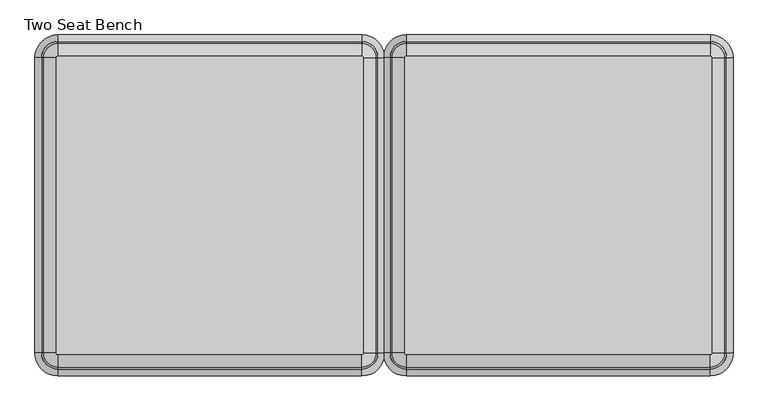
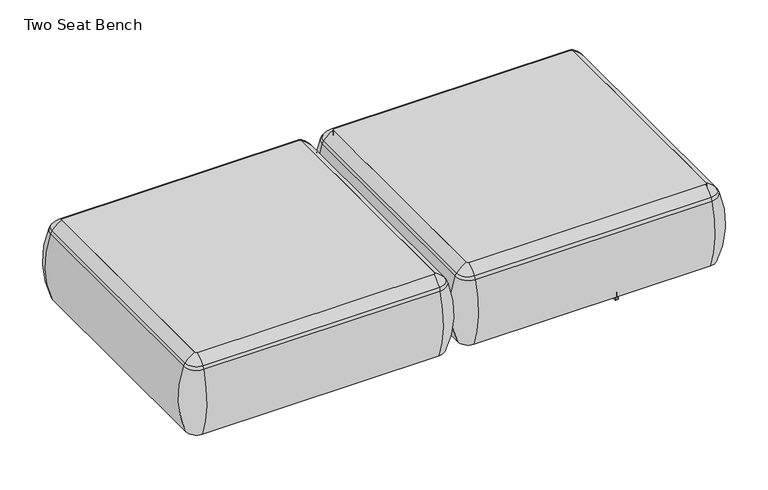
"""IFC4 building model written with IfcOpenShell, lengths in millimetres: furniture geometry, Two Seat Bench."""

from ifc_helpers import new_model, si_unit, point, frame, frame_2d, origin, place, context, project, spatial, polyline, circle_curve, ellipse_curve, trimmed, segment, composite_curve, outline, extrude, source, transform, mapped, element, save
from ifc_brep_helpers import plane_surface, cylinder_surface, revolved_surface, advanced_brep


def two_seat_bench_a77e207c(model_context):
    return source(origin(), model_context, "Body", "SolidModel", [
        advanced_brep(
        [(-103.5651735, -668.4794123, 390.3914007), (-98.2853663, -673.7592195, 390.3914007), (-98.2853663, -673.7592195, 123.9999984), (-103.5651735, -668.4794123, 123.9999984), (-132.2532177, -668.4794123, 123.9999984), (-98.2853663, -702.4472637, 123.9999984), (-98.2853663, -710.1267287, 353.7769053), (-139.9326827, -668.4794123, 353.7769053), (-103.5651735, 89.8571486, 123.9999984), (-103.5651735, 89.8571486, 390.3914007), (-139.9326827, 89.8571486, 353.7769053), (-132.2532177, 89.8571486, 123.9999984), (-98.2853663, 95.1369558, 390.3914007), (-98.2853663, 95.1369558, 123.9999984), (-98.2853663, 123.825, 123.9999984), (-98.2853663, 131.504465, 353.7769053), (681.4946337, 95.1369558, 123.9999984), (681.4946337, 95.1369558, 390.3914007), (681.4946337, 131.504465, 353.7769053), (681.4946337, 123.825, 123.9999984), (686.774441, 89.8571486, 390.3914007), (686.774441, 89.8571486, 123.9999984), (715.4624852, 89.8571486, 123.9999984), (723.1419502, 89.8571486, 353.7769053), (686.774441, -668.4794123, 123.9999984), (686.774441, -668.4794123, 390.3914007), (723.1419502, -668.4794123, 353.7769053), (715.4624852, -668.4794123, 123.9999984), (681.4946337, -673.7592195, 390.3914007), (681.4946337, -673.7592195, 123.9999984), (681.4946337, -702.4472637, 123.9999984), (681.4946337, -710.1267287, 353.7769053), (-134.7142228, -668.4794123, 363.6402875), (-98.2853663, -704.9082688, 363.6402875), (-134.7142228, 89.8571486, 363.6402875), (-98.2853663, 126.2860051, 363.6402875), (681.4946337, 126.2860051, 363.6402875), (717.9234903, 89.8571486, 363.6402875), (717.9234903, -668.4794123, 363.6402875), (681.4946337, -704.9082688, 363.6402875)],
        [
            (0, 1, circle_curve(frame((-98.2853663, -668.4794123, 390.3914007), z_axis=(0.0, 0.0, 1.0), x_axis=(0.0, -1.0, 0.0)), 5.2798073)),
            (1, 2),
            (2, 3, circle_curve(frame((-98.2853663, -668.4794123, 123.9999984), z_axis=(0.0, 0.0, -1.0), x_axis=(0.0, -1.0, 0.0)), 5.2798073)),
            (3, 0),
            (4, 5, circle_curve(frame((-98.2853663, -668.4794123, 123.9999984), z_axis=(0.0, 0.0, 1.0), x_axis=(0.0, -1.0, 0.0)), 33.9678514)),
            (5, 6, circle_curve(frame((-98.2853663, -406.0729797, 248.9220234), z_axis=(-1.0, 0.0, 0.0), x_axis=(0.0, -1.0, 0.0)), 321.625914)),
            (6, 7, circle_curve(frame((-98.2853663, -668.4794123, 353.7769053), z_axis=(0.0, 0.0, -1.0), x_axis=(0.0, -1.0, 0.0)), 41.6473165)),
            (7, 4, circle_curve(frame((164.1210663, -668.4794123, 248.9220234), z_axis=(0.0, -1.0, 0.0), x_axis=(-1.0, 0.0, 0.0)), 321.625914)),
            (3, 8),
            (8, 9),
            (9, 0),
            (7, 10),
            (10, 11, circle_curve(frame((164.1210663, 89.8571486, 248.9220234), z_axis=(0.0, -1.0, 0.0), x_axis=(-1.0, 0.0, 0.0)), 321.625914)),
            (11, 4),
            (12, 9, circle_curve(frame((-98.2853663, 89.8571486, 390.3914007), z_axis=(0.0, 0.0, 1.0), x_axis=(-1.0, 0.0, 0.0)), 5.2798073)),
            (8, 13, circle_curve(frame((-98.2853663, 89.8571486, 123.9999984), z_axis=(0.0, 0.0, -1.0), x_axis=(-1.0, 0.0, 0.0)), 5.2798073)),
            (13, 12),
            (14, 11, circle_curve(frame((-98.2853663, 89.8571486, 123.9999984), z_axis=(0.0, 0.0, 1.0), x_axis=(-1.0, 0.0, 0.0)), 33.9678514)),
            (10, 15, circle_curve(frame((-98.2853663, 89.8571486, 353.7769053), z_axis=(0.0, 0.0, -1.0), x_axis=(-1.0, 0.0, 0.0)), 41.6473165)),
            (15, 14, circle_curve(frame((-98.2853663, -172.549284, 248.9220234), z_axis=(-1.0, 0.0, 0.0), x_axis=(0.0, 1.0, 0.0)), 321.625914)),
            (13, 16),
            (16, 17),
            (17, 12),
            (15, 18),
            (18, 19, circle_curve(frame((681.4946337, -172.549284, 248.9220234), z_axis=(-1.0, 0.0, 0.0), x_axis=(0.0, 1.0, 0.0)), 321.625914)),
            (19, 14),
            (20, 17, circle_curve(frame((681.4946337, 89.8571486, 390.3914007), z_axis=(0.0, 0.0, 1.0), x_axis=(0.0, 1.0, 0.0)), 5.2798073)),
            (16, 21, circle_curve(frame((681.4946337, 89.8571486, 123.9999984), z_axis=(0.0, 0.0, -1.0), x_axis=(0.0, 1.0, 0.0)), 5.2798073)),
            (21, 20),
            (22, 19, circle_curve(frame((681.4946337, 89.8571486, 123.9999984), z_axis=(0.0, 0.0, 1.0), x_axis=(0.0, 1.0, 0.0)), 33.9678514)),
            (18, 23, circle_curve(frame((681.4946337, 89.8571486, 353.7769053), z_axis=(0.0, 0.0, -1.0), x_axis=(0.0, 1.0, 0.0)), 41.6473165)),
            (23, 22, circle_curve(frame((419.0882012, 89.8571486, 248.9220234), z_axis=(0.0, 1.0, 0.0), x_axis=(1.0, 0.0, 0.0)), 321.625914)),
            (21, 24),
            (24, 25),
            (25, 20),
            (23, 26),
            (26, 27, circle_curve(frame((419.0882012, -668.4794123, 248.9220234), z_axis=(0.0, 1.0, 0.0), x_axis=(1.0, 0.0, 0.0)), 321.625914)),
            (27, 22),
            (28, 25, circle_curve(frame((681.4946337, -668.4794123, 390.3914007), z_axis=(0.0, 0.0, 1.0), x_axis=(1.0, 0.0, 0.0)), 5.2798073)),
            (24, 29, circle_curve(frame((681.4946337, -668.4794123, 123.9999984), z_axis=(0.0, 0.0, -1.0), x_axis=(1.0, 0.0, 0.0)), 5.2798073)),
            (29, 28),
            (30, 27, circle_curve(frame((681.4946337, -668.4794123, 123.9999984), z_axis=(0.0, 0.0, 1.0), x_axis=(1.0, 0.0, 0.0)), 33.9678514)),
            (26, 31, circle_curve(frame((681.4946337, -668.4794123, 353.7769053), z_axis=(0.0, 0.0, -1.0), x_axis=(1.0, 0.0, 0.0)), 41.6473165)),
            (31, 30, circle_curve(frame((681.4946337, -406.0729797, 248.9220234), z_axis=(1.0, 0.0, 0.0), x_axis=(0.0, -1.0, 0.0)), 321.625914)),
            (30, 5),
            (2, 29),
            (1, 28),
            (31, 6),
            (32, 33, circle_curve(frame((-98.2853663, -668.4794123, 363.6402875), z_axis=(0.0, 0.0, 1.0), x_axis=(0.0, -1.0, 0.0)), 36.4288566)),
            (33, 1, circle_curve(frame((-98.2853663, -629.5266, 307.3762868), z_axis=(-1.0, 0.0, 0.0), x_axis=(0.0, -1.0, 0.0)), 94.0639876)),
            (0, 32, circle_curve(frame((-59.332554, -668.4794123, 307.3762868), z_axis=(0.0, -1.0, 0.0), x_axis=(-1.0, 0.0, 0.0)), 94.0639876)),
            (6, 33, circle_curve(frame((-98.2853663, -675.8620096, 341.9604975), z_axis=(-1.0, 0.0, 0.0), x_axis=(0.0, -1.0, 0.0)), 36.2449785)),
            (32, 7, circle_curve(frame((-105.6679637, -668.4794123, 341.9604975), z_axis=(0.0, -1.0, 0.0), x_axis=(-1.0, 0.0, 0.0)), 36.2449785)),
            (9, 34, circle_curve(frame((-59.332554, 89.8571486, 307.3762868), z_axis=(0.0, -1.0, 0.0), x_axis=(-1.0, 0.0, 0.0)), 94.0639876)),
            (34, 32),
            (34, 10, circle_curve(frame((-105.6679637, 89.8571486, 341.9604975), z_axis=(0.0, -1.0, 0.0), x_axis=(-1.0, 0.0, 0.0)), 36.2449785)),
            (35, 34, circle_curve(frame((-98.2853663, 89.8571486, 363.6402875), z_axis=(0.0, 0.0, 1.0), x_axis=(-1.0, 0.0, 0.0)), 36.4288566)),
            (12, 35, circle_curve(frame((-98.2853663, 50.9043363, 307.3762868), z_axis=(-1.0, 0.0, 0.0), x_axis=(0.0, 1.0, 0.0)), 94.0639876)),
            (35, 15, circle_curve(frame((-98.2853663, 97.2397459, 341.9604975), z_axis=(-1.0, 0.0, 0.0), x_axis=(0.0, 1.0, 0.0)), 36.2449785)),
            (17, 36, circle_curve(frame((681.4946337, 50.9043363, 307.3762868), z_axis=(-1.0, 0.0, 0.0), x_axis=(0.0, 1.0, 0.0)), 94.0639876)),
            (36, 35),
            (36, 18, circle_curve(frame((681.4946337, 97.2397459, 341.9604975), z_axis=(-1.0, 0.0, 0.0), x_axis=(0.0, 1.0, 0.0)), 36.2449785)),
            (37, 36, circle_curve(frame((681.4946337, 89.8571486, 363.6402875), z_axis=(0.0, 0.0, 1.0), x_axis=(0.0, 1.0, 0.0)), 36.4288566)),
            (20, 37, circle_curve(frame((642.5418215, 89.8571486, 307.3762868), z_axis=(0.0, 1.0, 0.0), x_axis=(1.0, 0.0, 0.0)), 94.0639876)),
            (37, 23, circle_curve(frame((688.8772311, 89.8571486, 341.9604975), z_axis=(0.0, 1.0, 0.0), x_axis=(1.0, 0.0, 0.0)), 36.2449785)),
            (25, 38, circle_curve(frame((642.5418215, -668.4794123, 307.3762868), z_axis=(0.0, 1.0, 0.0), x_axis=(1.0, 0.0, 0.0)), 94.0639876)),
            (38, 37),
            (38, 26, circle_curve(frame((688.8772311, -668.4794123, 341.9604975), z_axis=(0.0, 1.0, 0.0), x_axis=(1.0, 0.0, 0.0)), 36.2449785)),
            (39, 38, circle_curve(frame((681.4946337, -668.4794123, 363.6402875), z_axis=(0.0, 0.0, 1.0), x_axis=(1.0, 0.0, 0.0)), 36.4288566)),
            (28, 39, circle_curve(frame((681.4946337, -629.5266, 307.3762868), z_axis=(1.0, 0.0, 0.0), x_axis=(0.0, -1.0, 0.0)), 94.0639876)),
            (39, 31, circle_curve(frame((681.4946337, -675.8620096, 341.9604975), z_axis=(1.0, 0.0, 0.0), x_axis=(0.0, -1.0, 0.0)), 36.2449785)),
            (33, 39),
        ],
        [
            revolved_surface(polyline([(-98.2853663, -673.7592196, 123.9999984), (-98.2853663, -673.7592196, 390.3914007)]), (-98.2853663, -668.4794123, 0.0), (0.0, 0.0, -1.0)),
            revolved_surface(trimmed(ellipse_curve(frame((-98.2853663, -406.0729797, 248.9220234), z_axis=(1.0, 0.0, 0.0), x_axis=(0.0, -1.0, 0.0)), 321.625914, 321.625914), [point((-98.2853663, -710.1267287, 353.7769053))], [point((-98.2853663, -702.4472637, 123.9999984))], True, "CARTESIAN"), (-98.2853663, -668.4794123, 0.0), (0.0, 0.0, -1.0)),
            plane_surface(frame((-103.5651735, -668.4794123, 123.9999984), z_axis=(1.0, 0.0, 0.0), x_axis=(0.0, 1.0, 0.0))),
            cylinder_surface(frame((164.1210663, -668.4794123, 248.9220234), z_axis=(0.0, -1.0, 0.0), x_axis=(-1.0, 0.0, 0.0)), 321.625914),
            revolved_surface(polyline([(-103.56517360000001, 89.8571486, 123.9999984), (-103.56517360000001, 89.8571486, 390.3914007)]), (-98.2853663, 89.8571486, 0.0), (0.0, 0.0, -1.0)),
            revolved_surface(trimmed(ellipse_curve(frame((164.1210663, 89.8571486, 248.9220234), z_axis=(0.0, -1.0, 0.0), x_axis=(-1.0, 0.0, 0.0)), 321.625914, 321.625914), [point((-139.9326827, 89.8571486, 353.7769053))], [point((-132.2532177, 89.8571486, 123.9999984))], True, "CARTESIAN"), (-98.2853663, 89.8571486, 0.0), (0.0, 0.0, -1.0)),
            plane_surface(frame((-98.2853663, 95.1369558, 123.9999984), z_axis=(0.0, -1.0, 0.0), x_axis=(1.0, 0.0, 0.0))),
            cylinder_surface(frame((-98.2853663, -172.549284, 248.9220234), z_axis=(-1.0, 0.0, 0.0), x_axis=(0.0, 1.0, 0.0)), 321.625914),
            revolved_surface(polyline([(681.4946337, 95.1369559, 123.9999984), (681.4946337, 95.1369559, 390.3914007)]), (681.4946337, 89.8571486, 0.0), (0.0, 0.0, -1.0)),
            revolved_surface(trimmed(ellipse_curve(frame((681.4946337, -172.549284, 248.9220234), z_axis=(-1.0, 0.0, 0.0), x_axis=(0.0, 1.0, 0.0)), 321.625914, 321.625914), [point((681.4946337, 131.504465, 353.7769053))], [point((681.4946337, 123.825, 123.9999984))], True, "CARTESIAN"), (681.4946337, 89.8571486, 0.0), (0.0, 0.0, -1.0)),
            plane_surface(frame((686.774441, 89.8571486, 123.9999984), z_axis=(-1.0, 0.0, 0.0), x_axis=(0.0, -1.0, 0.0))),
            cylinder_surface(frame((419.0882012, 89.8571486, 248.9220234), z_axis=(0.0, 1.0, 0.0), x_axis=(1.0, 0.0, 0.0)), 321.625914),
            revolved_surface(polyline([(686.774441, -668.4794123, 123.9999984), (686.774441, -668.4794123, 390.3914007)]), (681.4946337, -668.4794123, 0.0), (0.0, 0.0, -1.0)),
            revolved_surface(trimmed(ellipse_curve(frame((419.0882012, -668.4794123, 248.9220234), z_axis=(0.0, 1.0, 0.0), x_axis=(1.0, 0.0, 0.0)), 321.625914, 321.625914), [point((723.1419502, -668.4794123, 353.7769053))], [point((715.4624852, -668.4794123, 123.9999984))], True, "CARTESIAN"), (681.4946337, -668.4794123, 0.0), (0.0, 0.0, -1.0)),
            plane_surface(frame((681.4946337, -702.4472637, 123.9999984), z_axis=(0.0, 0.0, -1.0), x_axis=(-1.0, 0.0, 0.0))),
            plane_surface(frame((681.4946337, -673.7592195, 123.9999984), z_axis=(0.0, 1.0, 0.0), x_axis=(-1.0, 0.0, 0.0))),
            cylinder_surface(frame((681.4946337, -406.0729797, 248.9220234), z_axis=(1.0, 0.0, 0.0), x_axis=(0.0, -1.0, 0.0)), 321.625914),
            revolved_surface(trimmed(ellipse_curve(frame((-98.2853663, -629.5266, 307.3762868), z_axis=(1.0, 0.0, 0.0), x_axis=(0.0, -1.0, 0.0)), 94.0639876, 94.0639876), [point((-98.2853663, -673.7592195, 390.3914007))], [point((-98.2853663, -704.9082688, 363.6402875))], True, "CARTESIAN"), (-98.2853663, -668.4794123, 0.0), (0.0, 0.0, -1.0)),
            revolved_surface(trimmed(ellipse_curve(frame((-98.2853663, -675.8620096, 341.9604975), z_axis=(1.0, 0.0, 0.0), x_axis=(0.0, -1.0, 0.0)), 36.2449785, 36.2449785), [point((-98.2853663, -704.9082688, 363.6402875))], [point((-98.2853663, -710.1267287, 353.7769053))], True, "CARTESIAN"), (-98.2853663, -668.4794123, 0.0), (0.0, 0.0, -1.0)),
            cylinder_surface(frame((-59.332554, -668.4794123, 307.3762868), z_axis=(0.0, -1.0, 0.0), x_axis=(-1.0, 0.0, 0.0)), 94.0639876),
            cylinder_surface(frame((-105.6679637, -668.4794123, 341.9604975), z_axis=(0.0, -1.0, 0.0), x_axis=(-1.0, 0.0, 0.0)), 36.2449785),
            revolved_surface(trimmed(ellipse_curve(frame((-59.332554, 89.8571486, 307.3762868), z_axis=(0.0, -1.0, 0.0), x_axis=(-1.0, 0.0, 0.0)), 94.0639876, 94.0639876), [point((-103.5651735, 89.8571486, 390.3914007))], [point((-134.7142228, 89.8571486, 363.6402875))], True, "CARTESIAN"), (-98.2853663, 89.8571486, 0.0), (0.0, 0.0, -1.0)),
            revolved_surface(trimmed(ellipse_curve(frame((-105.6679637, 89.8571486, 341.9604975), z_axis=(0.0, -1.0, 0.0), x_axis=(-1.0, 0.0, 0.0)), 36.2449785, 36.2449785), [point((-134.7142228, 89.8571486, 363.6402875))], [point((-139.9326827, 89.8571486, 353.7769053))], True, "CARTESIAN"), (-98.2853663, 89.8571486, 0.0), (0.0, 0.0, -1.0)),
            cylinder_surface(frame((-98.2853663, 50.9043363, 307.3762868), z_axis=(-1.0, 0.0, 0.0), x_axis=(0.0, 1.0, 0.0)), 94.0639876),
            cylinder_surface(frame((-98.2853663, 97.2397459, 341.9604975), z_axis=(-1.0, 0.0, 0.0), x_axis=(0.0, 1.0, 0.0)), 36.2449785),
            revolved_surface(trimmed(ellipse_curve(frame((681.4946337, 50.9043363, 307.3762868), z_axis=(-1.0, 0.0, 0.0), x_axis=(0.0, 1.0, 0.0)), 94.0639876, 94.0639876), [point((681.4946337, 95.1369558, 390.3914007))], [point((681.4946337, 126.2860051, 363.6402875))], True, "CARTESIAN"), (681.4946337, 89.8571486, 0.0), (0.0, 0.0, -1.0)),
            revolved_surface(trimmed(ellipse_curve(frame((681.4946337, 97.2397459, 341.9604975), z_axis=(-1.0, 0.0, 0.0), x_axis=(0.0, 1.0, 0.0)), 36.2449785, 36.2449785), [point((681.4946337, 126.2860051, 363.6402875))], [point((681.4946337, 131.504465, 353.7769053))], True, "CARTESIAN"), (681.4946337, 89.8571486, 0.0), (0.0, 0.0, -1.0)),
            cylinder_surface(frame((642.5418215, 89.8571486, 307.3762868), z_axis=(0.0, 1.0, 0.0), x_axis=(1.0, 0.0, 0.0)), 94.0639876),
            cylinder_surface(frame((688.8772311, 89.8571486, 341.9604975), z_axis=(0.0, 1.0, 0.0), x_axis=(1.0, 0.0, 0.0)), 36.2449785),
            revolved_surface(trimmed(ellipse_curve(frame((642.5418215, -668.4794123, 307.3762868), z_axis=(0.0, 1.0, 0.0), x_axis=(1.0, 0.0, 0.0)), 94.0639876, 94.0639876), [point((686.774441, -668.4794123, 390.3914007))], [point((717.9234903, -668.4794123, 363.6402875))], True, "CARTESIAN"), (681.4946337, -668.4794123, 0.0), (0.0, 0.0, -1.0)),
            revolved_surface(trimmed(ellipse_curve(frame((688.8772311, -668.4794123, 341.9604975), z_axis=(0.0, 1.0, 0.0), x_axis=(1.0, 0.0, 0.0)), 36.2449785, 36.2449785), [point((717.9234903, -668.4794123, 363.6402875))], [point((723.1419502, -668.4794123, 353.7769053))], True, "CARTESIAN"), (681.4946337, -668.4794123, 0.0), (0.0, 0.0, -1.0)),
            cylinder_surface(frame((681.4946337, -629.5266, 307.3762868), z_axis=(1.0, 0.0, 0.0), x_axis=(0.0, -1.0, 0.0)), 94.0639876),
            cylinder_surface(frame((681.4946337, -675.8620096, 341.9604975), z_axis=(1.0, 0.0, 0.0), x_axis=(0.0, -1.0, 0.0)), 36.2449785),
        ],
        [
            (0, [[1, 2, 3, 4]]),
            (1, [[5, 6, 7, 8]]),
            (2, [[-4, 9, 10, 11]]),
            (3, [[-8, 12, 13, 14]]),
            (4, [[15, -10, 16, 17]]),
            (5, [[18, -13, 19, 20]]),
            (6, [[-17, 21, 22, 23]]),
            (7, [[-20, 24, 25, 26]]),
            (8, [[27, -22, 28, 29]]),
            (9, [[30, -25, 31, 32]]),
            (10, [[-29, 33, 34, 35]]),
            (11, [[-32, 36, 37, 38]]),
            (12, [[39, -34, 40, 41]]),
            (13, [[42, -37, 43, 44]]),
            (14, [[-38, -42, 45, -5, -14, -18, -26, -30], [46, -40, -33, -28, -21, -16, -9, -3]]),
            (15, [[-41, -46, -2, 47]]),
            (16, [[-44, 48, -6, -45]]),
            (17, [[49, 50, -1, 51]]),
            (18, [[-7, 52, -49, 53]]),
            (19, [[-51, -11, 54, 55]]),
            (20, [[-53, -55, 56, -12]]),
            (21, [[57, -54, -15, 58]]),
            (22, [[-19, -56, -57, 59]]),
            (23, [[-58, -23, 60, 61]]),
            (24, [[-59, -61, 62, -24]]),
            (25, [[63, -60, -27, 64]]),
            (26, [[-31, -62, -63, 65]]),
            (27, [[-64, -35, 66, 67]]),
            (28, [[-65, -67, 68, -36]]),
            (29, [[69, -66, -39, 70]]),
            (30, [[-43, -68, -69, 71]]),
            (31, [[-70, -47, -50, 72]]),
            (32, [[-71, -72, -52, -48]]),
        ],
    ),
        extrude(outline(composite_curve([segment(trimmed(circle_curve(frame_2d((681.4946337, -668.4794123)), 5.2798073), [point((686.774441, -668.4794123))], [point((681.4946337, -673.7592195))], False, "CARTESIAN"), True, "CONTINUOUS"), segment(polyline([(681.4946337, -673.7592195), (-98.2853663, -673.7592195)]), True, "CONTINUOUS"), segment(trimmed(circle_curve(frame_2d((-98.2853663, -668.4794123)), 5.2798073), [point((-98.2853663, -673.7592195))], [point((-103.5651735, -668.4794123))], False, "CARTESIAN"), True, "CONTINUOUS"), segment(polyline([(-103.5651735, -668.4794123), (-103.5651735, 89.8571486)]), True, "CONTINUOUS"), segment(trimmed(circle_curve(frame_2d((-98.2853663, 89.8571486)), 5.2798073), [point((-103.5651735, 89.8571486))], [point((-98.2853663, 95.1369558))], False, "CARTESIAN"), True, "CONTINUOUS"), segment(polyline([(-98.2853663, 95.1369558), (681.4946337, 95.1369558)]), True, "CONTINUOUS"), segment(trimmed(circle_curve(frame_2d((681.4946337, 89.8571486)), 5.2798073), [point((681.4946337, 95.1369558))], [point((686.774441, 89.8571486))], False, "CARTESIAN"), True, "CONTINUOUS"), segment(polyline([(686.774441, 89.8571486), (686.774441, -668.4794123)]), True, "CONTINUOUS")], self_intersect=False)), frame((0.0, 0.0, 123.9999984), z_axis=(0.0, 0.0, 1.0), x_axis=(1.0, 0.0, 0.0)), (0.0, 0.0, 1.0), 266.3914023),
        advanced_brep(
        [(-997.6650173, -668.4794123, 390.3914007), (-992.38521, -673.7592195, 390.3914007), (-992.38521, -673.7592195, 123.9999984), (-997.6650173, -668.4794123, 123.9999984), (-1026.3530615, -668.4794123, 123.9999984), (-992.38521, -702.4472637, 123.9999984), (-992.38521, -710.1267287, 353.7769053), (-1034.0325265, -668.4794123, 353.7769053), (-997.6650173, 89.8571486, 123.9999984), (-997.6650173, 89.8571486, 390.3914007), (-1034.0325265, 89.8571486, 353.7769053), (-1026.3530615, 89.8571486, 123.9999984), (-992.38521, 95.1369558, 390.3914007), (-992.38521, 95.1369558, 123.9999984), (-992.38521, 123.825, 123.9999984), (-992.38521, 131.504465, 353.7769053), (-212.60521, 95.1369558, 123.9999984), (-212.60521, 95.1369558, 390.3914007), (-212.60521, 131.504465, 353.7769053), (-212.60521, 123.825, 123.9999984), (-207.3254028, 89.8571486, 390.3914007), (-207.3254028, 89.8571486, 123.9999984), (-178.6373586, 89.8571486, 123.9999984), (-170.9578936, 89.8571486, 353.7769053), (-207.3254028, -668.4794123, 123.9999984), (-207.3254028, -668.4794123, 390.3914007), (-170.9578936, -668.4794123, 353.7769053), (-178.6373586, -668.4794123, 123.9999984), (-212.60521, -673.7592195, 390.3914007), (-212.60521, -673.7592195, 123.9999984), (-212.60521, -702.4472637, 123.9999984), (-212.60521, -710.1267287, 353.7769053), (-1028.8140666, -668.4794123, 363.6402875), (-992.38521, -704.9082688, 363.6402875), (-1028.8140666, 89.8571486, 363.6402875), (-992.38521, 126.2860051, 363.6402875), (-212.60521, 126.2860051, 363.6402875), (-176.1763535, 89.8571486, 363.6402875), (-176.1763535, -668.4794123, 363.6402875), (-212.60521, -704.9082688, 363.6402875)],
        [
            (0, 1, circle_curve(frame((-992.38521, -668.4794123, 390.3914007), z_axis=(0.0, 0.0, 1.0), x_axis=(0.0, -1.0, 0.0)), 5.2798073)),
            (1, 2),
            (2, 3, circle_curve(frame((-992.38521, -668.4794123, 123.9999984), z_axis=(0.0, 0.0, -1.0), x_axis=(0.0, -1.0, 0.0)), 5.2798073)),
            (3, 0),
            (4, 5, circle_curve(frame((-992.38521, -668.4794123, 123.9999984), z_axis=(0.0, 0.0, 1.0), x_axis=(0.0, -1.0, 0.0)), 33.9678514)),
            (5, 6, circle_curve(frame((-992.38521, -406.0729797, 248.9220234), z_axis=(-1.0, 0.0, 0.0), x_axis=(0.0, -1.0, 0.0)), 321.625914)),
            (6, 7, circle_curve(frame((-992.38521, -668.4794123, 353.7769053), z_axis=(0.0, 0.0, -1.0), x_axis=(0.0, -1.0, 0.0)), 41.6473165)),
            (7, 4, circle_curve(frame((-729.9787775, -668.4794123, 248.9220234), z_axis=(0.0, -1.0, 0.0), x_axis=(-1.0, 0.0, 0.0)), 321.625914)),
            (3, 8),
            (8, 9),
            (9, 0),
            (7, 10),
            (10, 11, circle_curve(frame((-729.9787775, 89.8571486, 248.9220234), z_axis=(0.0, -1.0, 0.0), x_axis=(-1.0, 0.0, 0.0)), 321.625914)),
            (11, 4),
            (12, 9, circle_curve(frame((-992.38521, 89.8571486, 390.3914007), z_axis=(0.0, 0.0, 1.0), x_axis=(-1.0, 0.0, 0.0)), 5.2798073)),
            (8, 13, circle_curve(frame((-992.38521, 89.8571486, 123.9999984), z_axis=(0.0, 0.0, -1.0), x_axis=(-1.0, 0.0, 0.0)), 5.2798073)),
            (13, 12),
            (14, 11, circle_curve(frame((-992.38521, 89.8571486, 123.9999984), z_axis=(0.0, 0.0, 1.0), x_axis=(-1.0, 0.0, 0.0)), 33.9678514)),
            (10, 15, circle_curve(frame((-992.38521, 89.8571486, 353.7769053), z_axis=(0.0, 0.0, -1.0), x_axis=(-1.0, 0.0, 0.0)), 41.6473165)),
            (15, 14, circle_curve(frame((-992.38521, -172.549284, 248.9220234), z_axis=(-1.0, 0.0, 0.0), x_axis=(0.0, 1.0, 0.0)), 321.625914)),
            (13, 16),
            (16, 17),
            (17, 12),
            (15, 18),
            (18, 19, circle_curve(frame((-212.60521, -172.549284, 248.9220234), z_axis=(-1.0, 0.0, 0.0), x_axis=(0.0, 1.0, 0.0)), 321.625914)),
            (19, 14),
            (20, 17, circle_curve(frame((-212.60521, 89.8571486, 390.3914007), z_axis=(0.0, 0.0, 1.0), x_axis=(0.0, 1.0, 0.0)), 5.2798073)),
            (16, 21, circle_curve(frame((-212.60521, 89.8571486, 123.9999984), z_axis=(0.0, 0.0, -1.0), x_axis=(0.0, 1.0, 0.0)), 5.2798073)),
            (21, 20),
            (22, 19, circle_curve(frame((-212.60521, 89.8571486, 123.9999984), z_axis=(0.0, 0.0, 1.0), x_axis=(0.0, 1.0, 0.0)), 33.9678514)),
            (18, 23, circle_curve(frame((-212.60521, 89.8571486, 353.7769053), z_axis=(0.0, 0.0, -1.0), x_axis=(0.0, 1.0, 0.0)), 41.6473165)),
            (23, 22, circle_curve(frame((-475.0116426, 89.8571486, 248.9220234), z_axis=(0.0, 1.0, 0.0), x_axis=(1.0, 0.0, 0.0)), 321.625914)),
            (21, 24),
            (24, 25),
            (25, 20),
            (23, 26),
            (26, 27, circle_curve(frame((-475.0116426, -668.4794123, 248.9220234), z_axis=(0.0, 1.0, 0.0), x_axis=(1.0, 0.0, 0.0)), 321.625914)),
            (27, 22),
            (28, 25, circle_curve(frame((-212.60521, -668.4794123, 390.3914007), z_axis=(0.0, 0.0, 1.0), x_axis=(1.0, 0.0, 0.0)), 5.2798073)),
            (24, 29, circle_curve(frame((-212.60521, -668.4794123, 123.9999984), z_axis=(0.0, 0.0, -1.0), x_axis=(1.0, 0.0, 0.0)), 5.2798073)),
            (29, 28),
            (30, 27, circle_curve(frame((-212.60521, -668.4794123, 123.9999984), z_axis=(0.0, 0.0, 1.0), x_axis=(1.0, 0.0, 0.0)), 33.9678514)),
            (26, 31, circle_curve(frame((-212.60521, -668.4794123, 353.7769053), z_axis=(0.0, 0.0, -1.0), x_axis=(1.0, 0.0, 0.0)), 41.6473165)),
            (31, 30, circle_curve(frame((-212.60521, -406.0729797, 248.9220234), z_axis=(1.0, 0.0, 0.0), x_axis=(0.0, -1.0, 0.0)), 321.625914)),
            (30, 5),
            (2, 29),
            (1, 28),
            (31, 6),
            (32, 33, circle_curve(frame((-992.38521, -668.4794123, 363.6402875), z_axis=(0.0, 0.0, 1.0), x_axis=(0.0, -1.0, 0.0)), 36.4288566)),
            (33, 1, circle_curve(frame((-992.38521, -629.5266, 307.3762868), z_axis=(-1.0, 0.0, 0.0), x_axis=(0.0, -1.0, 0.0)), 94.0639876)),
            (0, 32, circle_curve(frame((-953.4323978, -668.4794123, 307.3762868), z_axis=(0.0, -1.0, 0.0), x_axis=(-1.0, 0.0, 0.0)), 94.0639876)),
            (6, 33, circle_curve(frame((-992.38521, -675.8620096, 341.9604975), z_axis=(-1.0, 0.0, 0.0), x_axis=(0.0, -1.0, 0.0)), 36.2449785)),
            (32, 7, circle_curve(frame((-999.7678074, -668.4794123, 341.9604975), z_axis=(0.0, -1.0, 0.0), x_axis=(-1.0, 0.0, 0.0)), 36.2449785)),
            (9, 34, circle_curve(frame((-953.4323978, 89.8571486, 307.3762868), z_axis=(0.0, -1.0, 0.0), x_axis=(-1.0, 0.0, 0.0)), 94.0639876)),
            (34, 32),
            (34, 10, circle_curve(frame((-999.7678074, 89.8571486, 341.9604975), z_axis=(0.0, -1.0, 0.0), x_axis=(-1.0, 0.0, 0.0)), 36.2449785)),
            (35, 34, circle_curve(frame((-992.38521, 89.8571486, 363.6402875), z_axis=(0.0, 0.0, 1.0), x_axis=(-1.0, 0.0, 0.0)), 36.4288566)),
            (12, 35, circle_curve(frame((-992.38521, 50.9043363, 307.3762868), z_axis=(-1.0, 0.0, 0.0), x_axis=(0.0, 1.0, 0.0)), 94.0639876)),
            (35, 15, circle_curve(frame((-992.38521, 97.2397459, 341.9604975), z_axis=(-1.0, 0.0, 0.0), x_axis=(0.0, 1.0, 0.0)), 36.2449785)),
            (17, 36, circle_curve(frame((-212.60521, 50.9043363, 307.3762868), z_axis=(-1.0, 0.0, 0.0), x_axis=(0.0, 1.0, 0.0)), 94.0639876)),
            (36, 35),
            (36, 18, circle_curve(frame((-212.60521, 97.2397459, 341.9604975), z_axis=(-1.0, 0.0, 0.0), x_axis=(0.0, 1.0, 0.0)), 36.2449785)),
            (37, 36, circle_curve(frame((-212.60521, 89.8571486, 363.6402875), z_axis=(0.0, 0.0, 1.0), x_axis=(0.0, 1.0, 0.0)), 36.4288566)),
            (20, 37, circle_curve(frame((-251.5580223, 89.8571486, 307.3762868), z_axis=(0.0, 1.0, 0.0), x_axis=(1.0, 0.0, 0.0)), 94.0639876)),
            (37, 23, circle_curve(frame((-205.2226126, 89.8571486, 341.9604975), z_axis=(0.0, 1.0, 0.0), x_axis=(1.0, 0.0, 0.0)), 36.2449785)),
            (25, 38, circle_curve(frame((-251.5580223, -668.4794123, 307.3762868), z_axis=(0.0, 1.0, 0.0), x_axis=(1.0, 0.0, 0.0)), 94.0639876)),
            (38, 37),
            (38, 26, circle_curve(frame((-205.2226126, -668.4794123, 341.9604975), z_axis=(0.0, 1.0, 0.0), x_axis=(1.0, 0.0, 0.0)), 36.2449785)),
            (39, 38, circle_curve(frame((-212.60521, -668.4794123, 363.6402875), z_axis=(0.0, 0.0, 1.0), x_axis=(1.0, 0.0, 0.0)), 36.4288566)),
            (28, 39, circle_curve(frame((-212.60521, -629.5266, 307.3762868), z_axis=(1.0, 0.0, 0.0), x_axis=(0.0, -1.0, 0.0)), 94.0639876)),
            (39, 31, circle_curve(frame((-212.60521, -675.8620096, 341.9604975), z_axis=(1.0, 0.0, 0.0), x_axis=(0.0, -1.0, 0.0)), 36.2449785)),
            (33, 39),
        ],
        [
            revolved_surface(polyline([(-992.38521, -673.7592196, 123.9999984), (-992.38521, -673.7592196, 390.3914007)]), (-992.38521, -668.4794123, 0.0), (0.0, 0.0, -1.0)),
            revolved_surface(trimmed(ellipse_curve(frame((-992.38521, -406.0729797, 248.9220234), z_axis=(1.0, 0.0, 0.0), x_axis=(0.0, -1.0, 0.0)), 321.625914, 321.625914), [point((-992.38521, -710.1267287, 353.7769053))], [point((-992.38521, -702.4472637, 123.9999984))], True, "CARTESIAN"), (-992.38521, -668.4794123, 0.0), (0.0, 0.0, -1.0)),
            plane_surface(frame((-997.6650173, -668.4794123, 123.9999984), z_axis=(1.0, 0.0, 0.0), x_axis=(0.0, 1.0, 0.0))),
            cylinder_surface(frame((-729.9787775, -668.4794123, 248.9220234), z_axis=(0.0, -1.0, 0.0), x_axis=(-1.0, 0.0, 0.0)), 321.625914),
            revolved_surface(polyline([(-997.6650173, 89.8571486, 123.9999984), (-997.6650173, 89.8571486, 390.3914007)]), (-992.38521, 89.8571486, 0.0), (0.0, 0.0, -1.0)),
            revolved_surface(trimmed(ellipse_curve(frame((-729.9787775, 89.8571486, 248.9220234), z_axis=(0.0, -1.0, 0.0), x_axis=(-1.0, 0.0, 0.0)), 321.625914, 321.625914), [point((-1034.0325265, 89.8571486, 353.7769053))], [point((-1026.3530615, 89.8571486, 123.9999984))], True, "CARTESIAN"), (-992.38521, 89.8571486, 0.0), (0.0, 0.0, -1.0)),
            plane_surface(frame((-992.38521, 95.1369558, 123.9999984), z_axis=(0.0, -1.0, 0.0), x_axis=(1.0, 0.0, 0.0))),
            cylinder_surface(frame((-992.38521, -172.549284, 248.9220234), z_axis=(-1.0, 0.0, 0.0), x_axis=(0.0, 1.0, 0.0)), 321.625914),
            revolved_surface(polyline([(-212.60521, 95.1369559, 123.9999984), (-212.60521, 95.1369559, 390.3914007)]), (-212.60521, 89.8571486, 0.0), (0.0, 0.0, -1.0)),
            revolved_surface(trimmed(ellipse_curve(frame((-212.60521, -172.549284, 248.9220234), z_axis=(-1.0, 0.0, 0.0), x_axis=(0.0, 1.0, 0.0)), 321.625914, 321.625914), [point((-212.60521, 131.504465, 353.7769053))], [point((-212.60521, 123.825, 123.9999984))], True, "CARTESIAN"), (-212.60521, 89.8571486, 0.0), (0.0, 0.0, -1.0)),
            plane_surface(frame((-207.3254028, 89.8571486, 123.9999984), z_axis=(-1.0, 0.0, 0.0), x_axis=(0.0, -1.0, 0.0))),
            cylinder_surface(frame((-475.0116426, 89.8571486, 248.9220234), z_axis=(0.0, 1.0, 0.0), x_axis=(1.0, 0.0, 0.0)), 321.625914),
            revolved_surface(polyline([(-207.3254027, -668.4794123, 123.9999984), (-207.3254027, -668.4794123, 390.3914007)]), (-212.60521, -668.4794123, 0.0), (0.0, 0.0, -1.0)),
            revolved_surface(trimmed(ellipse_curve(frame((-475.0116426, -668.4794123, 248.9220234), z_axis=(0.0, 1.0, 0.0), x_axis=(1.0, 0.0, 0.0)), 321.625914, 321.625914), [point((-170.9578936, -668.4794123, 353.7769053))], [point((-178.6373586, -668.4794123, 123.9999984))], True, "CARTESIAN"), (-212.60521, -668.4794123, 0.0), (0.0, 0.0, -1.0)),
            plane_surface(frame((-212.60521, -702.4472637, 123.9999984), z_axis=(0.0, 0.0, -1.0), x_axis=(-1.0, 0.0, 0.0))),
            plane_surface(frame((-212.60521, -673.7592195, 123.9999984), z_axis=(0.0, 1.0, 0.0), x_axis=(-1.0, 0.0, 0.0))),
            cylinder_surface(frame((-212.60521, -406.0729797, 248.9220234), z_axis=(1.0, 0.0, 0.0), x_axis=(0.0, -1.0, 0.0)), 321.625914),
            revolved_surface(trimmed(ellipse_curve(frame((-992.38521, -629.5266, 307.3762868), z_axis=(1.0, 0.0, 0.0), x_axis=(0.0, -1.0, 0.0)), 94.0639876, 94.0639876), [point((-992.38521, -673.7592195, 390.3914007))], [point((-992.38521, -704.9082688, 363.6402875))], True, "CARTESIAN"), (-992.38521, -668.4794123, 0.0), (0.0, 0.0, -1.0)),
            revolved_surface(trimmed(ellipse_curve(frame((-992.38521, -675.8620096, 341.9604975), z_axis=(1.0, 0.0, 0.0), x_axis=(0.0, -1.0, 0.0)), 36.2449785, 36.2449785), [point((-992.38521, -704.9082688, 363.6402875))], [point((-992.38521, -710.1267287, 353.7769053))], True, "CARTESIAN"), (-992.38521, -668.4794123, 0.0), (0.0, 0.0, -1.0)),
            cylinder_surface(frame((-953.4323978, -668.4794123, 307.3762868), z_axis=(0.0, -1.0, 0.0), x_axis=(-1.0, 0.0, 0.0)), 94.0639876),
            cylinder_surface(frame((-999.7678074, -668.4794123, 341.9604975), z_axis=(0.0, -1.0, 0.0), x_axis=(-1.0, 0.0, 0.0)), 36.2449785),
            revolved_surface(trimmed(ellipse_curve(frame((-953.4323978, 89.8571486, 307.3762868), z_axis=(0.0, -1.0, 0.0), x_axis=(-1.0, 0.0, 0.0)), 94.0639876, 94.0639876), [point((-997.6650173, 89.8571486, 390.3914007))], [point((-1028.8140666, 89.8571486, 363.6402875))], True, "CARTESIAN"), (-992.38521, 89.8571486, 0.0), (0.0, 0.0, -1.0)),
            revolved_surface(trimmed(ellipse_curve(frame((-999.7678074, 89.8571486, 341.9604975), z_axis=(0.0, -1.0, 0.0), x_axis=(-1.0, 0.0, 0.0)), 36.2449785, 36.2449785), [point((-1028.8140666, 89.8571486, 363.6402875))], [point((-1034.0325265, 89.8571486, 353.7769053))], True, "CARTESIAN"), (-992.38521, 89.8571486, 0.0), (0.0, 0.0, -1.0)),
            cylinder_surface(frame((-992.38521, 50.9043363, 307.3762868), z_axis=(-1.0, 0.0, 0.0), x_axis=(0.0, 1.0, 0.0)), 94.0639876),
            cylinder_surface(frame((-992.38521, 97.2397459, 341.9604975), z_axis=(-1.0, 0.0, 0.0), x_axis=(0.0, 1.0, 0.0)), 36.2449785),
            revolved_surface(trimmed(ellipse_curve(frame((-212.60521, 50.9043363, 307.3762868), z_axis=(-1.0, 0.0, 0.0), x_axis=(0.0, 1.0, 0.0)), 94.0639876, 94.0639876), [point((-212.60521, 95.1369558, 390.3914007))], [point((-212.60521, 126.2860051, 363.6402875))], True, "CARTESIAN"), (-212.60521, 89.8571486, 0.0), (0.0, 0.0, -1.0)),
            revolved_surface(trimmed(ellipse_curve(frame((-212.60521, 97.2397459, 341.9604975), z_axis=(-1.0, 0.0, 0.0), x_axis=(0.0, 1.0, 0.0)), 36.2449785, 36.2449785), [point((-212.60521, 126.2860051, 363.6402875))], [point((-212.60521, 131.504465, 353.7769053))], True, "CARTESIAN"), (-212.60521, 89.8571486, 0.0), (0.0, 0.0, -1.0)),
            cylinder_surface(frame((-251.5580223, 89.8571486, 307.3762868), z_axis=(0.0, 1.0, 0.0), x_axis=(1.0, 0.0, 0.0)), 94.0639876),
            cylinder_surface(frame((-205.2226126, 89.8571486, 341.9604975), z_axis=(0.0, 1.0, 0.0), x_axis=(1.0, 0.0, 0.0)), 36.2449785),
            revolved_surface(trimmed(ellipse_curve(frame((-251.5580223, -668.4794123, 307.3762868), z_axis=(0.0, 1.0, 0.0), x_axis=(1.0, 0.0, 0.0)), 94.0639876, 94.0639876), [point((-207.3254028, -668.4794123, 390.3914007))], [point((-176.1763535, -668.4794123, 363.6402875))], True, "CARTESIAN"), (-212.60521, -668.4794123, 0.0), (0.0, 0.0, -1.0)),
            revolved_surface(trimmed(ellipse_curve(frame((-205.2226126, -668.4794123, 341.9604975), z_axis=(0.0, 1.0, 0.0), x_axis=(1.0, 0.0, 0.0)), 36.2449785, 36.2449785), [point((-176.1763535, -668.4794123, 363.6402875))], [point((-170.9578936, -668.4794123, 353.7769053))], True, "CARTESIAN"), (-212.60521, -668.4794123, 0.0), (0.0, 0.0, -1.0)),
            cylinder_surface(frame((-212.60521, -629.5266, 307.3762868), z_axis=(1.0, 0.0, 0.0), x_axis=(0.0, -1.0, 0.0)), 94.0639876),
            cylinder_surface(frame((-212.60521, -675.8620096, 341.9604975), z_axis=(1.0, 0.0, 0.0), x_axis=(0.0, -1.0, 0.0)), 36.2449785),
        ],
        [
            (0, [[1, 2, 3, 4]]),
            (1, [[5, 6, 7, 8]]),
            (2, [[-4, 9, 10, 11]]),
            (3, [[-8, 12, 13, 14]]),
            (4, [[15, -10, 16, 17]]),
            (5, [[18, -13, 19, 20]]),
            (6, [[-17, 21, 22, 23]]),
            (7, [[-20, 24, 25, 26]]),
            (8, [[27, -22, 28, 29]]),
            (9, [[30, -25, 31, 32]]),
            (10, [[-29, 33, 34, 35]]),
            (11, [[-32, 36, 37, 38]]),
            (12, [[39, -34, 40, 41]]),
            (13, [[42, -37, 43, 44]]),
            (14, [[-38, -42, 45, -5, -14, -18, -26, -30], [46, -40, -33, -28, -21, -16, -9, -3]]),
            (15, [[-41, -46, -2, 47]]),
            (16, [[-44, 48, -6, -45]]),
            (17, [[49, 50, -1, 51]]),
            (18, [[-7, 52, -49, 53]]),
            (19, [[-51, -11, 54, 55]]),
            (20, [[-53, -55, 56, -12]]),
            (21, [[57, -54, -15, 58]]),
            (22, [[-19, -56, -57, 59]]),
            (23, [[-58, -23, 60, 61]]),
            (24, [[-59, -61, 62, -24]]),
            (25, [[63, -60, -27, 64]]),
            (26, [[-31, -62, -63, 65]]),
            (27, [[-64, -35, 66, 67]]),
            (28, [[-65, -67, 68, -36]]),
            (29, [[69, -66, -39, 70]]),
            (30, [[-43, -68, -69, 71]]),
            (31, [[-70, -47, -50, 72]]),
            (32, [[-71, -72, -52, -48]]),
        ],
    ),
        extrude(outline(composite_curve([segment(trimmed(circle_curve(frame_2d((-212.60521, -668.4794123)), 5.2798073), [point((-207.3254028, -668.4794123))], [point((-212.60521, -673.7592195))], False, "CARTESIAN"), True, "CONTINUOUS"), segment(polyline([(-212.60521, -673.7592195), (-992.38521, -673.7592195)]), True, "CONTINUOUS"), segment(trimmed(circle_curve(frame_2d((-992.38521, -668.4794123)), 5.2798073), [point((-992.38521, -673.7592195))], [point((-997.6650173, -668.4794123))], False, "CARTESIAN"), True, "CONTINUOUS"), segment(polyline([(-997.6650173, -668.4794123), (-997.6650173, 89.8571486)]), True, "CONTINUOUS"), segment(trimmed(circle_curve(frame_2d((-992.38521, 89.8571486)), 5.2798073), [point((-997.6650173, 89.8571486))], [point((-992.38521, 95.1369558))], False, "CARTESIAN"), True, "CONTINUOUS"), segment(polyline([(-992.38521, 95.1369558), (-212.60521, 95.1369558)]), True, "CONTINUOUS"), segment(trimmed(circle_curve(frame_2d((-212.60521, 89.8571486)), 5.2798073), [point((-212.60521, 95.1369558))], [point((-207.3254028, 89.8571486))], False, "CARTESIAN"), True, "CONTINUOUS"), segment(polyline([(-207.3254028, 89.8571486), (-207.3254028, -668.4794123)]), True, "CONTINUOUS")], self_intersect=False)), frame((0.0, 0.0, 123.9999984), z_axis=(0.0, 0.0, 1.0), x_axis=(1.0, 0.0, 0.0)), (0.0, 0.0, 1.0), 266.3914023),
        advanced_brep(
        [(373.838792, -633.9963447, 98.611642), (369.6162038, -641.3100819, 98.611642), (370.0141527, -642.4761133, 98.611642), (385.8334234, -669.8758983, 98.611642), (386.6442569, -670.8035397, 98.611642), (395.0894355, -670.8035397, 98.611642), (395.8939637, -669.7137583, 98.611642), (411.9962168, -642.2119553, 98.611642), (412.1174938, -641.3100836, 98.611642), (407.8949039, -633.9963432, 98.611642), (406.6861204, -633.7579584, 98.611642), (375.047572, -633.7579584, 98.611642), (400.2397227, -648.9168654, 98.611642), (381.3347108, -648.9168654, 98.611642), (373.838792, -633.9963447, 88.6531552), (375.047572, -633.7579584, 88.6531552), (406.6861204, -633.7579584, 88.6531552), (407.8949039, -633.9963432, 88.6531552), (412.1174938, -641.3100836, 88.6531552), (411.9962168, -642.2119553, 88.6531552), (395.8939637, -669.7137583, 88.6531552), (395.0894355, -670.8035397, 88.6531552), (386.6442569, -670.8035397, 88.6531552), (385.8334234, -669.8758983, 88.6531552), (370.0141527, -642.4761133, 88.6531552), (369.6162038, -641.3100819, 88.6531552), (381.3347108, -648.9168654, 103.6569541), (400.2397227, -648.9168654, 103.6569541)],
        [
            (0, 1, circle_curve(frame((392.09828, -649.4142898, 98.611642), z_axis=(0.0, 0.0, 1.0), x_axis=(1.0, 0.0, 0.0)), 23.8981576)),
            (1, 2, circle_curve(frame((370.5437624, -641.6444428, 98.611642), z_axis=(0.0, 0.0, 1.0), x_axis=(1.0, 0.0, 0.0)), 0.9859828)),
            (2, 3, circle_curve(frame((351.6187827, -671.3632053, 98.611642), z_axis=(0.0, 0.0, -1.0), x_axis=(1.0, 0.0, 0.0)), 34.246952)),
            (3, 4, circle_curve(frame((386.8184668, -669.8330785, 98.611642), z_axis=(0.0, 0.0, 1.0), x_axis=(1.0, 0.0, 0.0)), 0.9859736)),
            (4, 5, circle_curve(frame((390.8668462, -647.2809943, 98.611642), z_axis=(0.0, 0.0, 1.0), x_axis=(1.0, 0.0, 0.0)), 23.8985439)),
            (5, 6, circle_curve(frame((394.9152236, -669.8330671, 98.611642), z_axis=(0.0, 0.0, 1.0), x_axis=(1.0, 0.0, 0.0)), 0.9859852)),
            (6, 7, circle_curve(frame((430.1156373, -671.285662, 98.611642), z_axis=(0.0, 0.0, -1.0), x_axis=(1.0, 0.0, 0.0)), 34.2577557)),
            (7, 8, circle_curve(frame((411.1899324, -641.644442, 98.611642), z_axis=(0.0, 0.0, 1.0), x_axis=(1.0, 0.0, 0.0)), 0.9859847)),
            (8, 9, circle_curve(frame((389.6358034, -649.4140667, 98.611642), z_axis=(0.0, 0.0, 1.0), x_axis=(1.0, 0.0, 0.0)), 23.8977184)),
            (9, 10, circle_curve(frame((407.1415576, -634.632458, 98.611642), z_axis=(0.0, 0.0, 1.0), x_axis=(1.0, 0.0, 0.0)), 0.9859881)),
            (10, 11, circle_curve(frame((390.8668462, -603.3828618, 98.611642), z_axis=(0.0, 0.0, -1.0), x_axis=(1.0, 0.0, 0.0)), 34.2475683)),
            (11, 0, circle_curve(frame((374.5921369, -634.632454, 98.611642), z_axis=(0.0, 0.0, 1.0), x_axis=(1.0, 0.0, 0.0)), 0.9859835)),
            (12, 13, circle_curve(frame((390.7872168, -648.9168654, 98.611642), z_axis=(0.0, 0.0, -1.0), x_axis=(1.0, 0.0, 0.0)), 9.452506)),
            (13, 12, circle_curve(frame((390.7872168, -648.9168654, 98.611642), z_axis=(0.0, 0.0, -1.0), x_axis=(1.0, 0.0, 0.0)), 9.452506)),
            (14, 15, circle_curve(frame((374.5921369, -634.632454, 88.6531552), z_axis=(0.0, 0.0, -1.0), x_axis=(1.0, 0.0, 0.0)), 0.9859835)),
            (15, 16, circle_curve(frame((390.8668462, -603.3828618, 88.6531552), z_axis=(0.0, 0.0, 1.0), x_axis=(1.0, 0.0, 0.0)), 34.2475683)),
            (16, 17, circle_curve(frame((407.1415576, -634.632458, 88.6531552), z_axis=(0.0, 0.0, -1.0), x_axis=(1.0, 0.0, 0.0)), 0.9859881)),
            (17, 18, circle_curve(frame((389.6358034, -649.4140667, 88.6531552), z_axis=(0.0, 0.0, -1.0), x_axis=(1.0, 0.0, 0.0)), 23.8977184)),
            (18, 19, circle_curve(frame((411.1899324, -641.644442, 88.6531552), z_axis=(0.0, 0.0, -1.0), x_axis=(1.0, 0.0, 0.0)), 0.9859847)),
            (19, 20, circle_curve(frame((430.1156373, -671.285662, 88.6531552), z_axis=(0.0, 0.0, 1.0), x_axis=(1.0, 0.0, 0.0)), 34.2577557)),
            (20, 21, circle_curve(frame((394.9152236, -669.8330671, 88.6531552), z_axis=(0.0, 0.0, -1.0), x_axis=(1.0, 0.0, 0.0)), 0.9859852)),
            (21, 22, circle_curve(frame((390.8668462, -647.2809943, 88.6531552), z_axis=(0.0, 0.0, -1.0), x_axis=(1.0, 0.0, 0.0)), 23.8985439)),
            (22, 23, circle_curve(frame((386.8184668, -669.8330785, 88.6531552), z_axis=(0.0, 0.0, -1.0), x_axis=(1.0, 0.0, 0.0)), 0.9859736)),
            (23, 24, circle_curve(frame((351.6187827, -671.3632053, 88.6531552), z_axis=(0.0, 0.0, 1.0), x_axis=(1.0, 0.0, 0.0)), 34.246952)),
            (24, 25, circle_curve(frame((370.5437624, -641.6444428, 88.6531552), z_axis=(0.0, 0.0, -1.0), x_axis=(1.0, 0.0, 0.0)), 0.9859828)),
            (25, 14, circle_curve(frame((392.09828, -649.4142898, 88.6531552), z_axis=(0.0, 0.0, -1.0), x_axis=(1.0, 0.0, 0.0)), 23.8981576)),
            (26, 27, circle_curve(frame((390.7872168, -648.9168654, 103.6569541), z_axis=(0.0, 0.0, 1.0), x_axis=(1.0, 0.0, 0.0)), 9.452506)),
            (27, 26, circle_curve(frame((390.7872168, -648.9168654, 103.6569541), z_axis=(0.0, 0.0, 1.0), x_axis=(1.0, 0.0, 0.0)), 9.452506)),
            (0, 14),
            (25, 1),
            (24, 2),
            (23, 3),
            (22, 4),
            (21, 5),
            (20, 6),
            (19, 7),
            (18, 8),
            (17, 9),
            (16, 10),
            (15, 11),
            (26, 13),
            (12, 27),
        ],
        [
            plane_surface(frame((415.9964377, -649.4142898, 98.611642), z_axis=(0.0, 0.0, 1.0), x_axis=(0.0, 1.0, 0.0))),
            plane_surface(frame((415.9964377, -649.4142898, 88.6531552), z_axis=(0.0, 0.0, -1.0), x_axis=(0.0, -1.0, 0.0))),
            plane_surface(frame((400.2397227, -648.9168654, 103.6569541), z_axis=(0.0, 0.0, 1.0), x_axis=(0.0, 1.0, 0.0))),
            cylinder_surface(frame((392.09828, -649.4142898, 88.6531552), z_axis=(0.0, 0.0, 1.0), x_axis=(1.0, 0.0, 0.0)), 23.8981576),
            cylinder_surface(frame((370.5437624, -641.6444428, 88.6531552), z_axis=(0.0, 0.0, 1.0), x_axis=(1.0, 0.0, 0.0)), 0.9859828),
            revolved_surface(polyline([(385.8657347, -671.3632053, 88.6531552), (385.8657347, -671.3632053, 98.611642)]), (351.6187827, -671.3632053, 88.6531552), (0.0, 0.0, -1.0)),
            cylinder_surface(frame((386.8184668, -669.8330785, 88.6531552), z_axis=(0.0, 0.0, 1.0), x_axis=(1.0, 0.0, 0.0)), 0.9859736),
            cylinder_surface(frame((390.8668462, -647.2809943, 88.6531552), z_axis=(0.0, 0.0, 1.0), x_axis=(1.0, 0.0, 0.0)), 23.8985439),
            cylinder_surface(frame((394.9152236, -669.8330671, 88.6531552), z_axis=(0.0, 0.0, 1.0), x_axis=(1.0, 0.0, 0.0)), 0.9859852),
            revolved_surface(polyline([(464.373393, -671.285662, 88.6531552), (464.373393, -671.285662, 98.611642)]), (430.1156373, -671.285662, 88.6531552), (0.0, 0.0, -1.0)),
            cylinder_surface(frame((411.1899324, -641.644442, 88.6531552), z_axis=(0.0, 0.0, 1.0), x_axis=(1.0, 0.0, 0.0)), 0.9859847),
            cylinder_surface(frame((389.6358034, -649.4140667, 88.6531552), z_axis=(0.0, 0.0, 1.0), x_axis=(1.0, 0.0, 0.0)), 23.8977184),
            cylinder_surface(frame((407.1415576, -634.632458, 88.6531552), z_axis=(0.0, 0.0, 1.0), x_axis=(1.0, 0.0, 0.0)), 0.9859881),
            revolved_surface(polyline([(425.1144145, -603.3828618, 88.6531552), (425.1144145, -603.3828618, 98.611642)]), (390.8668462, -603.3828618, 88.6531552), (0.0, 0.0, -1.0)),
            cylinder_surface(frame((374.5921369, -634.632454, 88.6531552), z_axis=(0.0, 0.0, 1.0), x_axis=(1.0, 0.0, 0.0)), 0.9859835),
            cylinder_surface(frame((390.7872168, -648.9168654, 98.611642), z_axis=(0.0, 0.0, 1.0), x_axis=(1.0, 0.0, 0.0)), 9.452506),
        ],
        [
            (0, [[1, 2, 3, 4, 5, 6, 7, 8, 9, 10, 11, 12], [13, 14]]),
            (1, [[15, 16, 17, 18, 19, 20, 21, 22, 23, 24, 25, 26]]),
            (2, [[27, 28]]),
            (3, [[-1, 29, -26, 30]]),
            (4, [[-2, -30, -25, 31]]),
            (5, [[-3, -31, -24, 32]]),
            (6, [[-4, -32, -23, 33]]),
            (7, [[-5, -33, -22, 34]]),
            (8, [[-6, -34, -21, 35]]),
            (9, [[-7, -35, -20, 36]]),
            (10, [[-8, -36, -19, 37]]),
            (11, [[-9, -37, -18, 38]]),
            (12, [[-10, -38, -17, 39]]),
            (13, [[-11, -39, -16, 40]]),
            (14, [[-12, -40, -15, -29]]),
            (15, [[-27, 41, -13, 42]]),
            (15, [[-28, -42, -14, -41]]),
        ],
    ),
    ])


if __name__ == "__main__":
    model = new_model("IFC4")
    model_context = context("Model", 3, world=origin())
    ifc_project = project(units=[si_unit("LENGTHUNIT", "METRE", prefix="MILLI")], contexts=[model_context])
    site = spatial("IfcSite", under=ifc_project)
    building = spatial("IfcBuilding", under=site)
    placement = place(None, origin())
    two_seat_bench_shape = two_seat_bench_a77e207c(model_context)
    element("IfcFurniture", 1, ObjectType="Two Seat Bench", at=placement, inside=building, context=model_context, shape_type="MappedRepresentation", body=[
        mapped(two_seat_bench_shape, transform((0.0, 0.0, 0.0), x_axis=(1.0, 0.0, 0.0), y_axis=(0.0, 1.0, 0.0), z_axis=(0.0, 0.0, 1.0))),
    ])
    save(model, "model.ifc")
